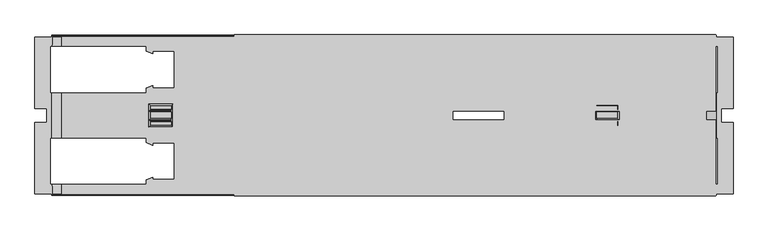
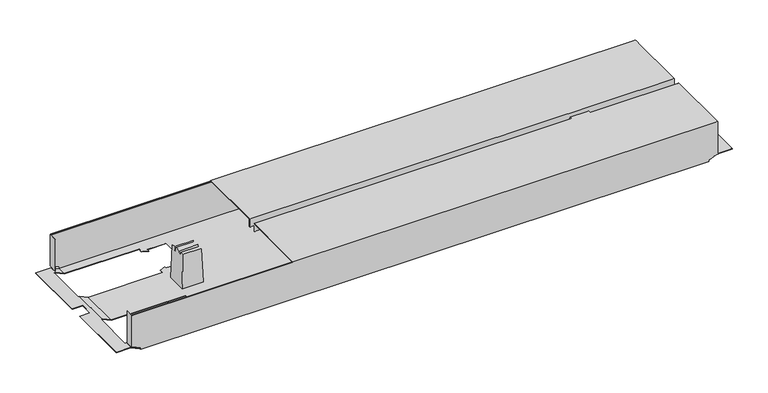
"""IFC4 building model written with IfcOpenShell, lengths in millimetres: furniture geometry."""

from ifc_helpers import new_model, si_unit, origin, place, context, project, spatial, triangles, source, transform, mapped, element, save


def furniture_941f86ee(model_context):
    return source(origin(), model_context, "Body", "Tessellation", [
        triangles([(2002.0152048, 8921.9879526, 526.9999909), (2002.0152048, 8921.9879526, 507.9999879), (3030.0151022, 8921.9879526, 526.9999909), (3030.0151022, 8921.9879526, 507.9999879), (2002.0152048, 8760.8879022, 526.9999909), (3030.0151022, 8760.8879022, 526.9999909), (2002.0152048, 8760.8879022, 507.9999879), (3030.0151022, 8760.8879022, 507.9999879), (2002.0152048, 8759.8879632, 507.9999879), (3030.0151022, 8759.8879632, 507.9999879), (2002.0152048, 8759.8879632, 528.0000026), (3030.0151022, 8759.8879632, 528.0000026), (2002.0152048, 8922.9878915, 528.0000026), (3030.0151022, 8922.9878915, 528.0000026), (2002.0152048, 8922.9878915, 507.9999879), (3030.0151022, 8922.9878915, 507.9999879), (2002.0152048, 8740.088009, 526.9999909), (2002.0152048, 8740.088009, 507.9999879), (3030.0151022, 8740.088009, 526.9999909), (3030.0151022, 8740.088009, 507.9999879), (2002.0152048, 8578.9879587, 526.9999909), (3030.0151022, 8578.9879587, 526.9999909), (2002.0152048, 8578.9879587, 507.9999879), (3030.0151022, 8578.9879587, 507.9999879), (2002.0152048, 8577.9880197, 507.9999879), (3030.0151022, 8577.9880197, 507.9999879), (2002.0152048, 8577.9880197, 528.0000026), (3030.0151022, 8577.9880197, 528.0000026), (2002.0152048, 8741.087948, 528.0000026), (3030.0151022, 8741.087948, 528.0000026), (2002.0152048, 8741.087948, 507.9999879), (3030.0151022, 8741.087948, 507.9999879), (1634.5151075, 8578.9879587, 432.000012), (3009.5151907, 8578.9879587, 432.000012), (1634.5151075, 8578.9879587, 435.9999859), (3009.5151907, 8578.9879587, 435.9999859), (1614.5151655, 8578.9879587, 445.3260155), (3029.5151327, 8578.9879587, 445.3260155), (1614.5151655, 8578.9879587, 526.0000156), (3029.5151327, 8578.9879587, 526.0000156), (3031.5150106, 8578.9879587, 445.3260155), (3031.5150106, 8578.9879587, 526.0000156), (1612.5151422, 8578.9879587, 526.0000156), (1612.5151422, 8578.9879587, 445.3260155), (2579.1150083, 8789.6878885, 432.000012), (2769.4150205, 8691.6880563, 432.000012), (2579.1150083, 8711.2880227, 432.000012), (2769.4150205, 8613.2881906, 432.000012), (2518.9151945, 8700.4881006, 432.000012), (1874.6151323, 8613.2881906, 432.000012), (2468.9150488, 8700.4881006, 432.000012), (1874.6151323, 8691.6880563, 432.000012), (1874.6151323, 8809.2884363, 432.000012), (1814.4151731, 8798.4879327, 432.000012), (1828.2152029, 8809.2884363, 432.000012), (1814.4151731, 8808.7721887, 432.000012), (1828.2152029, 8814.4881189, 432.000012), (2532.7152242, 8789.6878885, 432.000012), (2518.9151945, 8800.488392, 432.000012), (2769.4150205, 8887.688302, 432.000012), (2769.4150205, 8809.2884363, 432.000012), (2532.7152242, 8784.4882059, 432.000012), (2518.9151945, 8790.1058862, 432.000012), (1874.6151323, 8887.688302, 432.000012), (2468.9150488, 8800.488392, 432.000012), (2532.7152242, 8711.2880227, 432.000012), (2518.9151945, 8710.870025, 432.000012), (2532.7152242, 8716.4882867, 432.000012), (1814.4151731, 8602.4882684, 432.000012), (2829.615125, 8602.4882684, 432.000012), (3009.5151907, 8582.4883264, 432.000012), (3010.5151296, 8602.4882684, 432.000012), (3010.5151296, 8582.4883264, 432.000012), (1634.5151075, 8582.4883264, 432.000012), (1633.5151685, 8602.4882684, 432.000012), (1633.5151685, 8582.4883264, 432.000012), (1814.4151731, 8612.771943, 432.000012), (1828.2152029, 8613.2881906, 432.000012), (2815.8150953, 8613.2881906, 432.000012), (1828.2152029, 8618.4878732, 432.000012), (1814.4151731, 8702.4879785, 432.000012), (1828.2152029, 8691.6880563, 432.000012), (1814.4151731, 8692.2043039, 432.000012), (1828.2152029, 8686.4883737, 432.000012), (1633.5151685, 8702.4879785, 432.000012), (1633.5151685, 8798.4879327, 432.000012), (1828.2152029, 8887.688302, 432.000012), (1814.4151731, 8898.4882242, 432.000012), (2829.615125, 8898.4882242, 432.000012), (2815.8150953, 8887.688302, 432.000012), (2829.615125, 8888.2039682, 432.000012), (2815.8150953, 8882.488038, 432.000012), (1828.2152029, 8882.488038, 432.000012), (1814.4151731, 8888.2039682, 432.000012), (1633.5151685, 8898.4882242, 432.000012), (1634.5151075, 8918.4881662, 432.000012), (1634.5151075, 8921.9879526, 432.000012), (3009.5151907, 8921.9879526, 432.000012), (1633.5151685, 8918.4881662, 432.000012), (3009.5151907, 8918.4881662, 432.000012), (3010.5151296, 8898.4882242, 432.000012), (3010.5151296, 8918.4881662, 432.000012), (2815.8150953, 8809.2884363, 432.000012), (2829.615125, 8798.4879327, 432.000012), (2829.615125, 8702.4879785, 432.000012), (2815.8150953, 8691.6880563, 432.000012), (2829.615125, 8692.2043039, 432.000012), (2815.8150953, 8686.4883737, 432.000012), (2815.8150953, 8814.4881189, 432.000012), (2829.615125, 8808.7721887, 432.000012), (3010.5151296, 8798.4879327, 432.000012), (3010.5151296, 8702.4879785, 432.000012), (2815.8150953, 8618.4878732, 432.000012), (2829.615125, 8612.771943, 432.000012), (2579.1150083, 8711.2880227, 432.9999873), (2769.4150205, 8809.2884363, 432.9999873), (2579.1150083, 8789.6878885, 432.9999873), (2769.4150205, 8887.688302, 432.9999873), (2518.9151945, 8800.488392, 432.9999873), (1874.6151323, 8887.688302, 432.9999873), (2468.9150488, 8800.488392, 432.9999873), (1874.6151323, 8809.2884363, 432.9999873), (1874.6151323, 8691.6880563, 432.9999873), (1814.4151731, 8702.4879785, 432.9999873), (1828.2152029, 8691.6880563, 432.9999873), (1814.4151731, 8692.2043039, 432.9999873), (1828.2152029, 8686.4883737, 432.9999873), (2532.7152242, 8711.2880227, 432.9999873), (2518.9151945, 8700.4881006, 432.9999873), (2769.4150205, 8613.2881906, 432.9999873), (2769.4150205, 8691.6880563, 432.9999873), (2532.7152242, 8716.4882867, 432.9999873), (2518.9151945, 8710.870025, 432.9999873), (1874.6151323, 8613.2881906, 432.9999873), (2468.9150488, 8700.4881006, 432.9999873), (2532.7152242, 8789.6878885, 432.9999873), (2518.9151945, 8790.1058862, 432.9999873), (2532.7152242, 8784.4882059, 432.9999873), (3010.2930502, 8898.4882242, 432.9999873), (3009.5151907, 8918.4881662, 432.9999873), (2829.615125, 8898.4882242, 432.9999873), (3009.5151907, 8920.9880136, 432.9999873), (1814.4151731, 8898.4882242, 432.9999873), (1634.5151075, 8920.9880136, 432.9999873), (1634.5151075, 8918.4881662, 432.9999873), (3010.2930502, 8918.4881662, 432.9999873), (1633.7371027, 8918.4881662, 432.9999873), (1633.7371027, 8898.4882242, 432.9999873), (1814.4151731, 8888.2039682, 432.9999873), (1828.2152029, 8887.688302, 432.9999873), (2815.8150953, 8887.688302, 432.9999873), (1828.2152029, 8882.488038, 432.9999873), (1814.4151731, 8798.4879327, 432.9999873), (1828.2152029, 8809.2884363, 432.9999873), (1814.4151731, 8808.7721887, 432.9999873), (1828.2152029, 8814.4881189, 432.9999873), (1633.7371027, 8798.4879327, 432.9999873), (1633.7371027, 8702.4879785, 432.9999873), (1828.2152029, 8613.2881906, 432.9999873), (1814.4151731, 8602.4882684, 432.9999873), (2829.615125, 8602.4882684, 432.9999873), (2815.8150953, 8613.2881906, 432.9999873), (2829.615125, 8612.771943, 432.9999873), (2815.8150953, 8618.4878732, 432.9999873), (1828.2152029, 8618.4878732, 432.9999873), (1814.4151731, 8612.771943, 432.9999873), (1633.7371027, 8602.4882684, 432.9999873), (1634.5151075, 8582.4883264, 432.9999873), (1634.5151075, 8579.9878976, 432.9999873), (3009.5151907, 8579.9878976, 432.9999873), (1633.7371027, 8582.4883264, 432.9999873), (3009.5151907, 8582.4883264, 432.9999873), (3010.2930502, 8602.4882684, 432.9999873), (3010.2930502, 8582.4883264, 432.9999873), (2815.8150953, 8691.6880563, 432.9999873), (2829.615125, 8702.4879785, 432.9999873), (2829.615125, 8798.4879327, 432.9999873), (2815.8150953, 8809.2884363, 432.9999873), (2829.615125, 8808.7721887, 432.9999873), (2815.8150953, 8814.4881189, 432.9999873), (2815.8150953, 8686.4883737, 432.9999873), (2829.615125, 8692.2043039, 432.9999873), (3010.2930502, 8702.4879785, 432.9999873), (3010.2930502, 8798.4879327, 432.9999873), (2815.8150953, 8882.488038, 432.9999873), (2829.615125, 8888.2039682, 432.9999873), (1634.5151075, 8579.9878976, 435.9999859), (3009.5151907, 8579.9878976, 435.9999859), (1614.5151655, 8579.9878976, 445.3260155), (3029.5151327, 8579.9878976, 445.3260155), (3029.5151327, 8579.9878976, 511.9999981), (3030.5150716, 8579.9878976, 445.3260155), (3030.5150716, 8579.9878976, 526.0000156), (3029.5151327, 8579.9878976, 526.0000156), (1614.5151655, 8579.9878976, 511.9999981), (1613.5150812, 8579.9878976, 445.3260155), (1613.5150812, 8579.9878976, 526.0000156), (1614.5151655, 8579.9878976, 526.0000156), (1614.5151655, 8919.9880746, 526.0000156), (3029.5151327, 8919.9880746, 526.0000156), (1614.5151655, 8920.28108, 526.7069856), (3029.5151327, 8920.28108, 526.7069856), (1614.5151655, 8920.9880136, 526.9999909), (3029.5151327, 8920.9880136, 526.9999909), (1614.5151655, 8921.6949472, 526.7069856), (3029.5151327, 8921.6949472, 526.7069856), (1614.5151655, 8921.9879526, 526.0000156), (3029.5151327, 8921.9879526, 526.0000156), (1614.5151655, 8919.9880746, 511.9999981), (3029.5151327, 8919.9880746, 511.9999981), (1614.5151655, 8920.9880136, 511.9999981), (3029.5151327, 8920.9880136, 511.9999981), (1614.5151655, 8580.988418, 511.9999981), (3029.5151327, 8580.988418, 511.9999981), (1614.5151655, 8580.988418, 526.0000156), (3029.5151327, 8580.988418, 526.0000156), (1614.5151655, 8579.280964, 526.7069856), (3029.5151327, 8579.280964, 526.7069856), (1614.5151655, 8579.9878976, 526.9999909), (3029.5151327, 8579.9878976, 526.9999909), (1614.5151655, 8580.6954126, 526.7069856), (3029.5151327, 8580.6954126, 526.7069856), (1614.5151655, 8921.9879526, 445.3260155), (1612.5151422, 8921.9879526, 445.3260155), (1612.5151422, 8921.9879526, 526.0000156), (3029.5151327, 8921.9879526, 445.3260155), (3031.5150106, 8921.9879526, 526.0000156), (3031.5150106, 8921.9879526, 445.3260155), (1634.5151075, 8921.9879526, 435.9999859), (3009.5151907, 8921.9879526, 435.9999859), (3029.5151327, 8920.9880136, 445.3260155), (1614.5151655, 8920.9880136, 445.3260155), (3009.5151907, 8920.9880136, 435.9999859), (1634.5151075, 8920.9880136, 435.9999859), (3030.5150716, 8920.9880136, 445.3260155), (3030.5150716, 8920.9880136, 526.0000156), (3029.5151327, 8920.9880136, 526.0000156), (1613.5150812, 8920.9880136, 445.3260155), (1613.5150812, 8920.9880136, 526.0000156), (1614.5151655, 8920.9880136, 526.0000156), (3031.9600416, 8702.4879785, 441.999983), (3031.9600416, 8798.4879327, 441.999983), (3034.6151121, 8702.4879785, 441.999983), (3034.6151121, 8798.4879327, 441.999983), (3042.5152113, 8765.4882028, 441.999983), (3034.6151121, 8898.4882242, 441.999983), (3067.5151388, 8918.4881662, 441.999983), (3031.9600416, 8918.4881662, 441.999983), (3031.9600416, 8898.4882242, 441.999983), (3067.5151388, 8765.4882028, 441.999983), (3042.5152113, 8735.4882898, 441.999983), (3034.6151121, 8602.4882684, 441.999983), (3067.5151388, 8582.4883264, 441.999983), (3031.9600416, 8582.4883264, 441.999983), (3067.5151388, 8735.4882898, 441.999983), (3031.9600416, 8602.4882684, 441.999983), (3034.6151121, 8702.4879785, 442.9999947), (3034.6151121, 8602.4882684, 442.9999947), (3031.7382528, 8798.4879327, 442.9999947), (3031.7382528, 8702.4879785, 442.9999947), (3034.6151121, 8898.4882242, 442.9999947), (3034.6151121, 8798.4879327, 442.9999947), (3042.5152113, 8765.4882028, 442.9999947), (3067.5151388, 8918.4881662, 442.9999947), (3031.7382528, 8918.4881662, 442.9999947), (3042.5152113, 8735.4882898, 442.9999947), (3067.5151388, 8582.4883264, 442.9999947), (3031.7382528, 8582.4883264, 442.9999947), (3031.7382528, 8602.4882684, 442.9999947), (3067.5151388, 8735.4882898, 442.9999947), (3067.5151388, 8765.4882028, 442.9999947), (3031.7382528, 8898.4882242, 442.9999947), (3030.5150716, 8901.9880105, 526.0000156), (3030.5150716, 8901.9880105, 445.3260155), (3031.5150106, 8901.9880105, 445.3260155), (3031.5150106, 8901.9880105, 526.0000156), (3030.5150716, 8598.9879007, 445.3260155), (3030.5150716, 8598.9879007, 526.0000156), (3031.5150106, 8598.9879007, 445.3260155), (3031.5150106, 8598.9879007, 526.0000156), (1612.5151422, 8598.9879007, 526.0000156), (1612.5151422, 8598.9879007, 445.3260155), (1613.5150812, 8598.9879007, 526.0000156), (1613.5150812, 8598.9879007, 445.3260155), (1612.5151422, 8901.9880105, 445.3260155), (1612.5151422, 8901.9880105, 526.0000156), (1613.5150812, 8901.9880105, 445.3260155), (1613.5150812, 8901.9880105, 526.0000156), (1612.2921907, 8798.4879327, 442.9999947), (1612.2921907, 8702.4879785, 442.9999947), (1612.0701112, 8702.4879785, 441.999983), (1612.0701112, 8798.4879327, 441.999983), (1609.4151861, 8602.4882684, 441.999983), (1601.5150869, 8735.4882898, 441.999983), (1609.4151861, 8702.4879785, 441.999983), (1601.5150869, 8765.4882028, 441.999983), (1609.4151861, 8798.4879327, 441.999983), (1609.4151861, 8898.4882242, 441.999983), (1576.5151594, 8918.4881662, 441.999983), (1612.0701112, 8918.4881662, 441.999983), (1612.0701112, 8602.4882684, 441.999983), (1612.0701112, 8582.4883264, 441.999983), (1576.5151594, 8582.4883264, 441.999983), (1576.5151594, 8735.4882898, 441.999983), (1576.5151594, 8765.4882028, 441.999983), (1612.0701112, 8898.4882242, 441.999983), (1576.5151594, 8735.4882898, 442.9999947), (1576.5151594, 8582.4883264, 442.9999947), (1601.5150869, 8735.4882898, 442.9999947), (1609.4151861, 8602.4882684, 442.9999947), (1609.4151861, 8702.4879785, 442.9999947), (1612.2921907, 8582.4883264, 442.9999947), (1612.2921907, 8602.4882684, 442.9999947), (1609.4151861, 8798.4879327, 442.9999947), (1601.5150869, 8765.4882028, 442.9999947), (1609.4151861, 8898.4882242, 442.9999947), (1576.5151594, 8918.4881662, 442.9999947), (1612.2921907, 8918.4881662, 442.9999947), (1612.2921907, 8898.4882242, 442.9999947), (1576.5151594, 8765.4882028, 442.9999947), (2821.5470129, 8743.587214, 519.5000127), (2821.8961195, 8741.5879175, 509.5000053), (2821.5470129, 8757.3892785, 519.5000127), (2821.8961195, 8759.3879938, 509.5000053), (2824.5151456, 8725.9882883, 433.4999931), (2824.5151456, 8774.9882043, 433.4999931), (2821.8961195, 8739.5880395, 509.5000053), (2821.5821851, 8728.9212488, 518.500001), (2821.5821851, 8737.7893121, 518.500001), (2821.8961195, 8761.3878717, 509.5000053), (2821.5821851, 8772.0552438, 518.500001), (2821.5821851, 8763.1871805, 518.500001), (2776.4831937, 8743.587214, 519.5000127), (2776.4831937, 8757.3892785, 519.5000127), (2776.1340871, 8741.5879175, 509.5000053), (2776.1340871, 8759.3879938, 509.5000053), (2773.515061, 8725.9882883, 433.4999931), (2773.515061, 8774.9882043, 433.4999931), (2776.1340871, 8761.3878717, 509.5000053), (2776.4480215, 8772.0552438, 518.500001), (2776.4480215, 8763.1871805, 518.500001), (2776.1340871, 8739.5880395, 509.5000053), (2776.4480215, 8728.9212488, 518.500001), (2776.4480215, 8737.7893121, 518.500001), (1867.5471044, 8743.587214, 519.5000127), (1867.8960657, 8741.5879175, 509.5000053), (1867.5471044, 8757.3892785, 519.5000127), (1867.8960657, 8759.3879938, 509.5000053), (1870.5150919, 8725.9882883, 433.4999931), (1870.5150919, 8774.9882043, 433.4999931), (1867.8960657, 8739.5880395, 509.5000053), (1867.5821313, 8728.9212488, 518.500001), (1867.5821313, 8737.7893121, 518.500001), (1867.8960657, 8761.3878717, 509.5000053), (1867.5821313, 8772.0552438, 518.500001), (1867.5821313, 8763.1871805, 518.500001), (1822.48314, 8743.587214, 519.5000127), (1822.48314, 8757.3892785, 519.5000127), (1822.1341787, 8741.5879175, 509.5000053), (1822.1341787, 8759.3879938, 509.5000053), (1819.5151525, 8725.9882883, 433.4999931), (1819.5151525, 8774.9882043, 433.4999931), (1822.1341787, 8761.3878717, 509.5000053), (1822.448113, 8772.0552438, 518.500001), (1822.448113, 8763.1871805, 518.500001), (1822.1341787, 8739.5880395, 509.5000053), (1822.448113, 8728.9212488, 518.500001), (1822.448113, 8737.7893121, 518.500001)], [[1, 2, 3], [3, 2, 4], [5, 1, 6], [6, 1, 3], [7, 5, 8], [8, 5, 6], [9, 7, 10], [10, 7, 8], [11, 9, 12], [12, 9, 10], [13, 11, 14], [14, 11, 12], [15, 13, 16], [16, 13, 14], [2, 15, 4], [4, 15, 16], [2, 1, 15], [15, 1, 13], [13, 1, 5], [13, 5, 11], [11, 5, 9], [9, 5, 7], [4, 16, 3], [14, 3, 16], [6, 3, 14], [12, 6, 14], [10, 6, 12], [10, 8, 6], [17, 18, 19], [19, 18, 20], [21, 17, 22], [22, 17, 19], [23, 21, 24], [24, 21, 22], [25, 23, 26], [26, 23, 24], [27, 25, 28], [28, 25, 26], [29, 27, 30], [30, 27, 28], [31, 29, 32], [32, 29, 30], [18, 31, 20], [20, 31, 32], [18, 17, 31], [31, 17, 29], [29, 17, 21], [29, 21, 27], [27, 21, 25], [25, 21, 23], [20, 32, 19], [30, 19, 32], [22, 19, 30], [28, 22, 30], [26, 22, 28], [26, 24, 22], [33, 34, 35], [35, 34, 36], [37, 35, 36], [37, 36, 38], [37, 38, 39], [39, 38, 40], [40, 38, 41], [40, 41, 42], [39, 43, 37], [37, 43, 44], [45, 46, 47], [47, 46, 48], [49, 47, 48], [50, 49, 48], [49, 50, 51], [51, 50, 52], [51, 52, 53], [53, 52, 54], [53, 54, 55], [55, 54, 56], [57, 55, 56], [45, 58, 59], [60, 45, 59], [45, 60, 61], [62, 63, 58], [58, 63, 59], [60, 59, 64], [64, 59, 65], [64, 65, 53], [53, 65, 51], [47, 49, 66], [66, 49, 67], [68, 66, 67], [33, 69, 34], [34, 69, 70], [34, 70, 71], [71, 70, 72], [71, 72, 73], [33, 74, 69], [69, 74, 75], [75, 74, 76], [69, 77, 78], [69, 78, 50], [69, 50, 70], [70, 50, 48], [70, 48, 79], [77, 80, 78], [54, 52, 81], [81, 52, 82], [81, 82, 83], [83, 82, 84], [85, 86, 81], [81, 86, 54], [64, 87, 88], [89, 64, 88], [64, 89, 60], [60, 89, 90], [90, 89, 91], [92, 90, 91], [93, 94, 87], [87, 94, 88], [95, 96, 88], [88, 96, 97], [98, 88, 97], [95, 99, 96], [88, 98, 89], [89, 98, 100], [89, 100, 101], [101, 100, 102], [61, 103, 104], [61, 104, 105], [61, 105, 46], [46, 105, 106], [106, 105, 107], [108, 106, 107], [109, 110, 103], [103, 110, 104], [111, 112, 104], [104, 112, 105], [113, 114, 79], [79, 114, 70], [45, 61, 46], [115, 116, 117], [117, 116, 118], [119, 117, 118], [120, 119, 118], [119, 120, 121], [121, 120, 122], [121, 122, 123], [123, 122, 124], [123, 124, 125], [125, 124, 126], [127, 125, 126], [115, 128, 129], [130, 115, 129], [115, 130, 131], [132, 133, 128], [128, 133, 129], [130, 129, 134], [134, 129, 135], [134, 135, 123], [123, 135, 121], [117, 119, 136], [136, 119, 137], [138, 136, 137], [139, 140, 141], [141, 140, 142], [143, 141, 142], [144, 143, 142], [143, 144, 145], [139, 146, 140], [147, 148, 145], [145, 148, 143], [143, 149, 150], [143, 150, 120], [143, 120, 141], [141, 120, 118], [141, 118, 151], [149, 152, 150], [124, 122, 153], [153, 122, 154], [153, 154, 155], [155, 154, 156], [157, 158, 153], [153, 158, 124], [134, 159, 160], [161, 134, 160], [134, 161, 130], [130, 161, 162], [162, 161, 163], [164, 162, 163], [165, 166, 159], [159, 166, 160], [167, 168, 160], [160, 168, 169], [170, 160, 169], [167, 171, 168], [160, 170, 161], [161, 170, 172], [161, 172, 173], [173, 172, 174], [131, 175, 176], [131, 176, 177], [131, 177, 116], [116, 177, 178], [178, 177, 179], [180, 178, 179], [181, 182, 175], [175, 182, 176], [183, 184, 176], [176, 184, 177], [185, 186, 151], [151, 186, 141], [115, 131, 116], [169, 187, 170], [170, 187, 188], [188, 187, 189], [190, 188, 189], [190, 189, 191], [190, 191, 192], [192, 191, 193], [193, 191, 194], [191, 189, 195], [195, 189, 196], [197, 195, 196], [197, 198, 195], [199, 200, 201], [201, 200, 202], [201, 202, 203], [203, 202, 204], [203, 204, 205], [205, 204, 206], [205, 206, 207], [207, 206, 208], [209, 210, 199], [199, 210, 200], [211, 212, 209], [209, 212, 210], [213, 214, 195], [195, 214, 191], [215, 216, 213], [213, 216, 214], [39, 40, 217], [217, 40, 218], [217, 218, 219], [219, 218, 220], [219, 220, 221], [221, 220, 222], [221, 222, 215], [215, 222, 216], [208, 223, 207], [207, 223, 224], [207, 224, 225], [223, 208, 226], [226, 208, 227], [226, 227, 228], [223, 226, 229], [229, 226, 230], [229, 230, 97], [97, 230, 98], [231, 232, 233], [233, 232, 234], [233, 234, 144], [232, 231, 212], [212, 231, 235], [236, 212, 235], [236, 237, 212], [212, 211, 232], [232, 211, 238], [238, 211, 239], [239, 211, 240], [144, 142, 233], [45, 47, 117], [117, 47, 115], [47, 66, 115], [115, 66, 128], [133, 132, 67], [67, 132, 68], [67, 49, 133], [133, 49, 129], [49, 51, 129], [129, 51, 135], [58, 45, 136], [136, 45, 117], [137, 119, 63], [63, 119, 59], [63, 62, 137], [137, 62, 138], [65, 59, 121], [121, 59, 119], [62, 58, 138], [138, 58, 136], [51, 65, 135], [135, 65, 121], [132, 128, 68], [68, 128, 66], [46, 106, 131], [131, 106, 175], [106, 108, 175], [175, 108, 181], [48, 46, 130], [130, 46, 131], [108, 107, 181], [181, 107, 182], [107, 105, 182], [182, 105, 176], [70, 114, 161], [161, 114, 163], [114, 113, 163], [163, 113, 164], [113, 79, 164], [164, 79, 162], [79, 48, 162], [162, 48, 130], [109, 103, 180], [180, 103, 178], [103, 61, 178], [178, 61, 116], [104, 110, 177], [177, 110, 179], [110, 109, 179], [179, 109, 180], [61, 60, 116], [116, 60, 118], [60, 90, 118], [118, 90, 151], [91, 89, 186], [186, 89, 141], [186, 185, 91], [91, 185, 92], [185, 151, 92], [92, 151, 90], [241, 242, 243], [243, 242, 244], [243, 244, 245], [245, 244, 246], [245, 246, 247], [247, 246, 248], [248, 246, 249], [247, 250, 245], [245, 251, 243], [252, 243, 251], [253, 252, 251], [252, 253, 254], [251, 255, 253], [254, 256, 252], [243, 252, 257], [257, 252, 258], [111, 242, 112], [112, 242, 241], [259, 184, 260], [260, 184, 183], [246, 244, 261], [261, 244, 262], [260, 257, 259], [259, 257, 262], [262, 257, 263], [261, 262, 263], [264, 261, 263], [261, 264, 265], [263, 257, 266], [266, 257, 258], [266, 258, 267], [267, 258, 268], [268, 258, 269], [267, 270, 266], [263, 271, 264], [265, 272, 261], [273, 236, 274], [274, 236, 235], [275, 228, 276], [276, 228, 227], [102, 248, 101], [101, 248, 249], [265, 146, 272], [272, 146, 139], [264, 271, 247], [247, 271, 250], [271, 263, 250], [250, 263, 245], [270, 267, 255], [255, 267, 253], [255, 251, 270], [270, 251, 266], [263, 266, 245], [245, 266, 251], [72, 256, 73], [73, 256, 254], [174, 268, 173], [173, 268, 269], [277, 192, 278], [278, 192, 193], [277, 278, 279], [279, 278, 280], [41, 279, 42], [42, 279, 280], [277, 279, 192], [41, 192, 279], [38, 192, 41], [38, 190, 192], [275, 276, 274], [274, 276, 273], [81, 83, 124], [124, 83, 126], [83, 84, 126], [126, 84, 127], [82, 52, 125], [125, 52, 123], [52, 50, 123], [123, 50, 134], [50, 78, 134], [134, 78, 159], [166, 165, 77], [77, 165, 80], [77, 69, 166], [166, 69, 160], [78, 80, 159], [159, 80, 165], [84, 82, 127], [127, 82, 125], [53, 55, 122], [122, 55, 154], [55, 57, 154], [154, 57, 156], [57, 56, 156], [156, 56, 155], [152, 149, 93], [93, 149, 94], [93, 87, 152], [152, 87, 150], [87, 64, 150], [150, 64, 120], [88, 94, 143], [143, 94, 149], [56, 54, 155], [155, 54, 153], [64, 53, 120], [120, 53, 122], [43, 281, 44], [44, 281, 282], [283, 197, 284], [284, 197, 196], [224, 285, 225], [225, 285, 286], [287, 285, 238], [224, 238, 285], [223, 238, 224], [223, 232, 238], [239, 288, 238], [238, 288, 287], [157, 289, 158], [158, 289, 290], [85, 291, 86], [86, 291, 292], [293, 294, 295], [295, 294, 296], [295, 296, 297], [298, 297, 296], [299, 298, 296], [298, 299, 300], [301, 302, 293], [293, 302, 303], [294, 293, 303], [294, 303, 304], [296, 305, 299], [300, 306, 298], [297, 292, 295], [295, 292, 291], [307, 308, 309], [309, 308, 310], [309, 310, 311], [308, 312, 310], [310, 312, 313], [290, 289, 311], [311, 289, 314], [311, 314, 315], [315, 314, 316], [315, 316, 317], [317, 316, 318], [318, 316, 319], [317, 320, 315], [315, 309, 311], [297, 298, 314], [314, 298, 316], [293, 295, 310], [310, 295, 311], [283, 284, 281], [281, 284, 282], [312, 171, 313], [313, 171, 167], [143, 148, 88], [88, 148, 95], [95, 148, 306], [319, 306, 148], [306, 319, 316], [316, 298, 306], [145, 96, 147], [147, 96, 99], [300, 147, 99], [299, 317, 300], [318, 300, 317], [147, 300, 318], [140, 100, 142], [98, 142, 100], [230, 142, 98], [230, 233, 142], [248, 102, 146], [146, 102, 100], [146, 100, 140], [146, 265, 248], [264, 248, 265], [248, 264, 247], [177, 184, 104], [104, 184, 111], [111, 184, 242], [259, 242, 184], [242, 259, 262], [262, 244, 242], [257, 260, 241], [183, 241, 260], [241, 183, 112], [112, 183, 105], [105, 183, 176], [241, 243, 257], [161, 173, 70], [70, 173, 72], [72, 173, 256], [269, 256, 173], [256, 269, 258], [258, 252, 256], [267, 268, 254], [174, 254, 268], [254, 174, 73], [73, 174, 71], [71, 174, 172], [254, 253, 267], [168, 74, 169], [33, 169, 74], [35, 169, 33], [35, 187, 169], [95, 306, 99], [99, 306, 300], [76, 302, 75], [75, 302, 301], [147, 318, 148], [148, 318, 319], [297, 314, 292], [292, 314, 289], [157, 292, 289], [153, 54, 157], [86, 157, 54], [292, 157, 86], [293, 310, 301], [301, 310, 313], [167, 301, 313], [160, 69, 167], [75, 167, 69], [301, 167, 75], [312, 302, 171], [76, 171, 302], [171, 76, 74], [312, 308, 302], [302, 308, 303], [74, 168, 171], [304, 303, 307], [307, 303, 308], [307, 309, 304], [304, 309, 294], [309, 315, 294], [294, 315, 296], [315, 320, 296], [296, 320, 305], [320, 317, 305], [305, 317, 299], [124, 158, 81], [81, 158, 85], [85, 158, 291], [290, 291, 158], [291, 290, 311], [311, 295, 291], [35, 37, 187], [187, 37, 189], [189, 37, 196], [44, 196, 37], [282, 196, 44], [282, 284, 196], [283, 281, 197], [43, 197, 281], [39, 197, 43], [39, 198, 197], [39, 217, 198], [198, 217, 219], [198, 219, 221], [221, 215, 198], [195, 198, 213], [213, 198, 215], [214, 216, 191], [191, 216, 194], [216, 222, 194], [194, 222, 220], [194, 220, 218], [218, 40, 194], [194, 40, 193], [42, 193, 40], [280, 193, 42], [280, 278, 193], [38, 36, 190], [190, 36, 188], [188, 36, 170], [34, 170, 36], [71, 170, 34], [71, 172, 170], [246, 261, 249], [249, 261, 272], [139, 249, 272], [141, 89, 139], [101, 139, 89], [249, 139, 101], [230, 226, 233], [233, 226, 231], [231, 226, 235], [228, 235, 226], [275, 235, 228], [275, 274, 235], [273, 276, 236], [227, 236, 276], [208, 236, 227], [208, 237, 236], [208, 206, 237], [237, 206, 204], [237, 204, 202], [202, 200, 237], [212, 237, 210], [210, 237, 200], [209, 199, 211], [211, 199, 240], [199, 201, 240], [240, 201, 203], [240, 203, 205], [205, 207, 240], [240, 207, 239], [225, 239, 207], [286, 239, 225], [286, 288, 239], [286, 285, 288], [288, 285, 287], [223, 229, 232], [232, 229, 234], [234, 229, 144], [97, 144, 229], [96, 144, 97], [96, 145, 144], [323, 321, 322], [323, 322, 324], [324, 322, 325], [324, 325, 326], [322, 327, 325], [325, 327, 328], [328, 327, 329], [324, 326, 330], [331, 330, 326], [330, 331, 332], [335, 333, 334], [335, 334, 336], [337, 335, 336], [337, 336, 338], [338, 336, 339], [338, 339, 340], [340, 339, 341], [335, 337, 342], [343, 342, 337], [342, 343, 344], [321, 323, 333], [333, 323, 334], [322, 321, 333], [322, 333, 335], [334, 323, 324], [334, 324, 336], [324, 330, 336], [336, 330, 339], [330, 332, 341], [330, 341, 339], [332, 331, 341], [341, 331, 340], [340, 331, 326], [340, 326, 338], [327, 322, 342], [342, 322, 335], [344, 329, 327], [344, 327, 342], [328, 329, 343], [343, 329, 344], [325, 328, 343], [325, 343, 337], [326, 325, 338], [338, 325, 337], [347, 345, 346], [347, 346, 348], [348, 346, 349], [348, 349, 350], [346, 351, 349], [349, 351, 352], [352, 351, 353], [348, 350, 354], [355, 354, 350], [354, 355, 356], [359, 357, 358], [359, 358, 360], [361, 359, 360], [361, 360, 362], [362, 360, 363], [362, 363, 364], [364, 363, 365], [359, 361, 366], [367, 366, 361], [366, 367, 368], [345, 347, 357], [357, 347, 358], [346, 345, 357], [346, 357, 359], [358, 347, 348], [358, 348, 360], [348, 354, 360], [360, 354, 363], [354, 356, 365], [354, 365, 363], [356, 355, 365], [365, 355, 364], [364, 355, 350], [364, 350, 362], [351, 346, 366], [366, 346, 359], [368, 353, 351], [368, 351, 366], [352, 353, 367], [367, 353, 368], [349, 352, 367], [349, 367, 361], [350, 349, 362], [362, 349, 361]]),
    ])


if __name__ == "__main__":
    model = new_model("IFC4")
    model_context = context("Model", 3, world=origin())
    ifc_project = project(units=[si_unit("LENGTHUNIT", "METRE", prefix="MILLI")], contexts=[model_context])
    site = spatial("IfcSite", under=ifc_project)
    building = spatial("IfcBuilding", under=site)
    placement = place(None, origin())
    furniture_shape = furniture_941f86ee(model_context)
    element("IfcFurniture", 1, at=placement, inside=building, context=model_context, shape_type="MappedRepresentation", body=[
        mapped(furniture_shape, transform((0.0, 0.0, 0.0), x_axis=(1.0, 0.0, 0.0), y_axis=(0.0, 1.0, 0.0), z_axis=(0.0, 0.0, 1.0))),
    ])
    save(model, "model.ifc")
